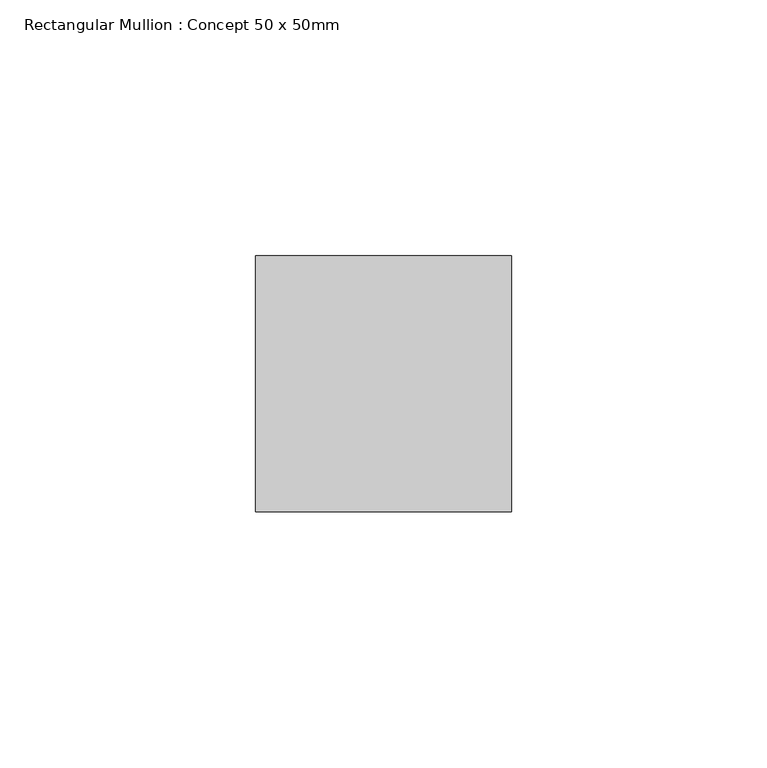
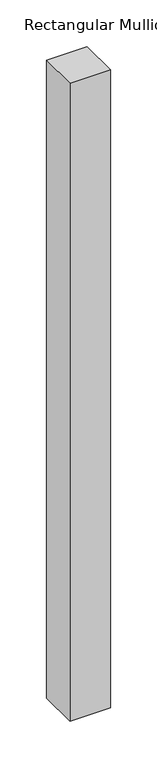
"""IFC4 building model written with IfcOpenShell, lengths in millimetres: member geometry, Rectangular Mullion : Concept 50 x 50mm."""

from ifc_helpers import new_model, si_unit, frame, origin, place, context, project, spatial, polyline, outline, extrude, source, transform, mapped, element, save


def rectangular_mullion_concept_50_x_50mm_20672611(model_context):
    return source(origin(), model_context, "Body", "SweptSolid", [
        extrude(outline(polyline([(25.0, 50.0), (25.0, 0.0), (-25.0, 0.0), (-25.0, 50.0), (25.0, 50.0)])), frame((0.0, 0.0, -833.75), z_axis=(0.0, 0.0, 1.0), x_axis=(1.0, 0.0, 0.0)), (0.0, 0.0, 1.0), 833.75),
    ])


if __name__ == "__main__":
    model = new_model("IFC4")
    model_context = context("Model", 3, world=origin())
    ifc_project = project(units=[si_unit("LENGTHUNIT", "METRE", prefix="MILLI")], contexts=[model_context])
    site = spatial("IfcSite", under=ifc_project)
    building = spatial("IfcBuilding", under=site)
    placement = place(None, origin())
    rectangular_mullion_concept_50_x_50mm_shape = rectangular_mullion_concept_50_x_50mm_20672611(model_context)
    element("IfcMember", 1, ObjectType="Rectangular Mullion : Concept 50 x 50mm", at=placement, inside=building, context=model_context, shape_type="MappedRepresentation", body=[
        mapped(rectangular_mullion_concept_50_x_50mm_shape, transform((0.0, 0.0, 0.0), x_axis=(1.0, 0.0, 0.0), y_axis=(0.0, 1.0, 0.0), z_axis=(0.0, 0.0, 1.0))),
    ])
    save(model, "model.ifc")
